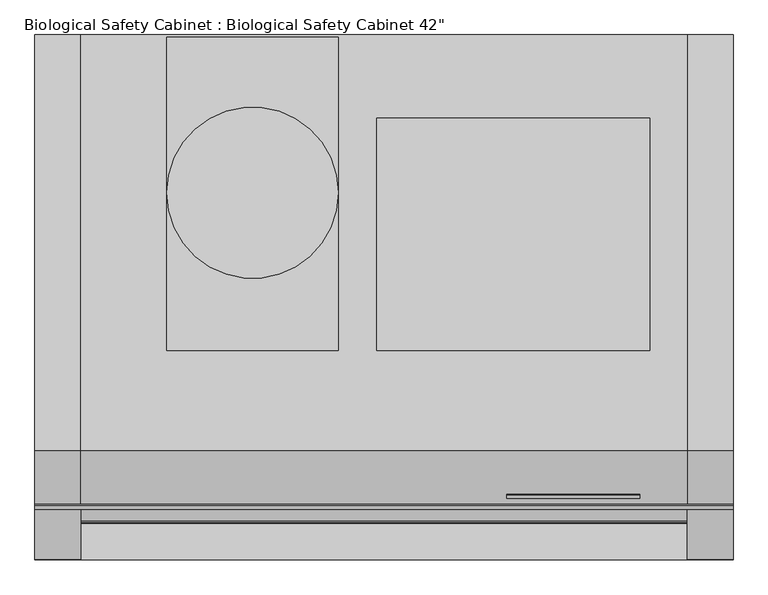
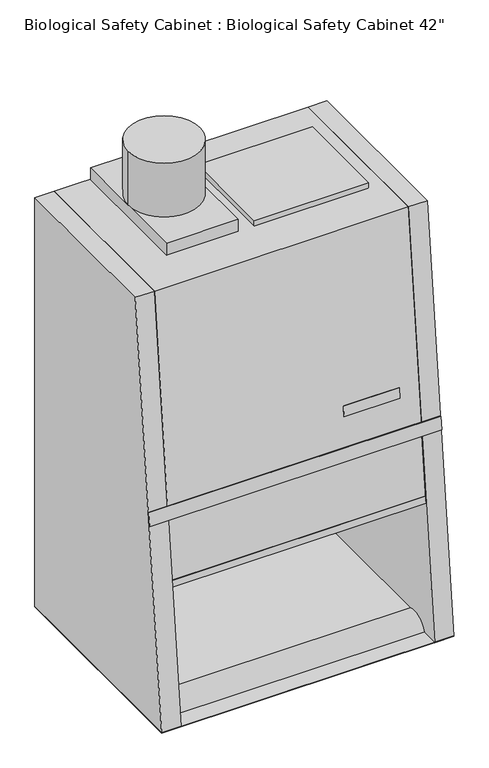
"""IFC4 building model written with IfcOpenShell, lengths in millimetres: proxy geometry."""

from ifc_helpers import new_model, si_unit, point, frame, frame_2d, origin, origin_with_axes, place, context, project, spatial, polyline, circle_curve, trimmed, segment, composite_curve, outline, extrude, source, transform, mapped, element, save


def proxy_580750d5(model_context):
    return source(origin(), model_context, "Body", "SweptSolid", [
        extrude(outline(polyline([(1066.8, 0.0), (1066.8, -802.48125), (0.0, -802.48125), (0.0, 0.0), (1066.8, 0.0)])), origin_with_axes(), (0.0, 0.0, 1.0), 1.5875),
        extrude(outline(polyline([(463.55, -3.5222467), (463.55, -482.6), (201.6125, -482.6), (201.6125, -3.5222467), (463.55, -3.5222467)])), frame((0.0, 0.0, 1579.5625), z_axis=(0.0, 0.0, 1.0), x_axis=(1.0, 0.0, 0.0)), (0.0, 0.0, 1.0), 46.0375),
        extrude(outline(polyline([(522.1187776, -127.0), (939.8, -127.0), (939.8, -482.6), (522.1187776, -482.6), (522.1187776, -127.0)])), frame((0.0, 0.0, 1574.8), z_axis=(0.0, 0.0, 1.0), x_axis=(1.0, 0.0, 0.0)), (0.0, 0.0, 1.0), 25.4),
        extrude(outline(composite_curve([segment(trimmed(circle_curve(frame_2d((332.58125, -241.3)), 130.96875), [point((201.6125, -241.3))], [point((463.55, -241.3))], False, "CARTESIAN"), True, "CONTINUOUS"), segment(trimmed(circle_curve(frame_2d((332.58125, -241.3)), 130.96875), [point((463.55, -241.3))], [point((201.6125, -241.3))], False, "CARTESIAN"), True, "CONTINUOUS")], self_intersect=False)), frame((0.0, 0.0, 1625.6), z_axis=(0.0, 0.0, 1.0), x_axis=(1.0, 0.0, 0.0)), (0.0, 0.0, 1.0), 207.9625),
        extrude(outline(polyline([(-744.8559931, 529.0374972), (-738.5301568, 528.4840582), (-740.695493, 503.7341518), (-747.069749, 503.7341518), (-744.8559931, 529.0374972)])), frame((69.85, 0.0, 0.0), z_axis=(1.0, 0.0, 0.0), x_axis=(0.0, 1.0, 0.0)), (0.0, 0.0, 1.0), 927.1),
        extrude(outline(polyline([(-745.60236, 503.7341518), (-719.93125, 749.3), (-716.75625, 749.3), (-742.42736, 503.7341518), (-745.60236, 503.7341518)])), frame((69.85, 0.0, 0.0), z_axis=(1.0, 0.0, 0.0), x_axis=(0.0, 1.0, 0.0)), (0.0, 0.0, 1.0), 927.1),
        extrude(outline(polyline([(0.0, -2.4642464), (0.0, 0.0), (203.2, 0.0), (203.2, -2.4642464), (0.0, -2.4642464)])), frame((720.6656592, -705.8994449, 910.8900102), z_axis=(0.0, 0.1054391133119313, 0.9944257606196623), x_axis=(1.0, 0.0, 0.0)), (0.0, 0.0, 1.0), 38.1),
        extrude(outline(polyline([(-717.6765511, 799.8168286), (-723.032858, 749.3), (-725.6213813, 749.3), (-720.2650743, 799.8168286), (-717.6765511, 799.8168286)])), frame((0.0, 0.0, 0.0), z_axis=(1.0, 0.0, 0.0), x_axis=(0.0, 1.0, 0.0)), (0.0, 0.0, 1.0), 1066.8),
        extrude(outline(composite_curve([segment(polyline([(0.0, 1579.5625), (0.0, 0.0), (-738.98125, 0.0)]), True, "CONTINUOUS"), segment(trimmed(circle_curve(frame_2d((-674.4344579, -21.392002)), 67.9993097), [point((-738.98125, 0.0))], [point((-649.3318039, 41.8042233))], False, "CARTESIAN"), True, "CONTINUOUS"), segment(polyline([(-649.3318039, 41.8042233), (-39.7318039, 41.8042233), (-39.7318039, 749.3), (-723.032858, 749.3), (-635.0, 1579.5625), (0.0, 1579.5625)]), True, "CONTINUOUS")], self_intersect=False)), frame((69.85, 0.0, 0.0), z_axis=(1.0, 0.0, 0.0), x_axis=(0.0, 1.0, 0.0)), (0.0, 0.0, 1.0), 927.1),
        extrude(outline(polyline([(0.0, 1579.5625), (0.0, 0.0), (-802.48125, 0.0), (-635.0, 1579.5625), (0.0, 1579.5625)])), frame((0.0, 0.0, 0.0), z_axis=(1.0, 0.0, 0.0), x_axis=(0.0, 1.0, 0.0)), (0.0, 0.0, 1.0), 69.85),
        extrude(outline(polyline([(0.0, 0.0), (-802.48125, 0.0), (-635.0, 1579.5625), (0.0, 1579.5625), (0.0, 0.0)])), frame((996.95, 0.0, 0.0), z_axis=(1.0, 0.0, 0.0), x_axis=(0.0, 1.0, 0.0)), (0.0, 0.0, 1.0), 69.85),
    ])


if __name__ == "__main__":
    model = new_model("IFC4")
    model_context = context("Model", 3, world=origin())
    ifc_project = project(units=[si_unit("LENGTHUNIT", "METRE", prefix="MILLI")], contexts=[model_context])
    site = spatial("IfcSite", under=ifc_project)
    building = spatial("IfcBuilding", under=site)
    placement = place(None, origin())
    proxy_shape = proxy_580750d5(model_context)
    element("IfcBuildingElementProxy", 1, Name="Biological Safety Cabinet : Biological Safety Cabinet 42\"", ObjectType="Biological Safety Cabinet : Biological Safety Cabinet 42\"", at=placement, inside=building, context=model_context, shape_type="MappedRepresentation", body=[
        mapped(proxy_shape, transform((0.0, 0.0, 0.0), x_axis=(1.0, 0.0, 0.0), y_axis=(0.0, 1.0, 0.0), z_axis=(0.0, 0.0, 1.0))),
    ])
    save(model, "model.ifc")
